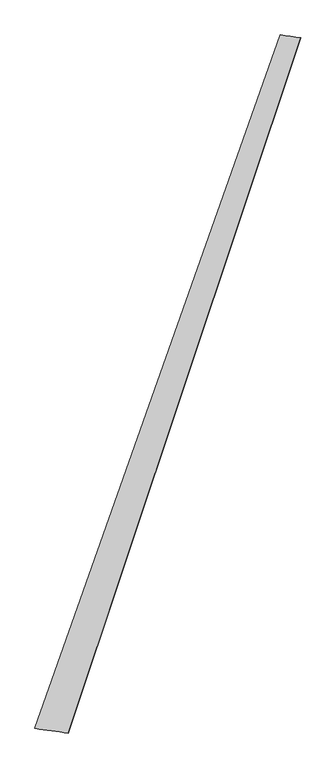
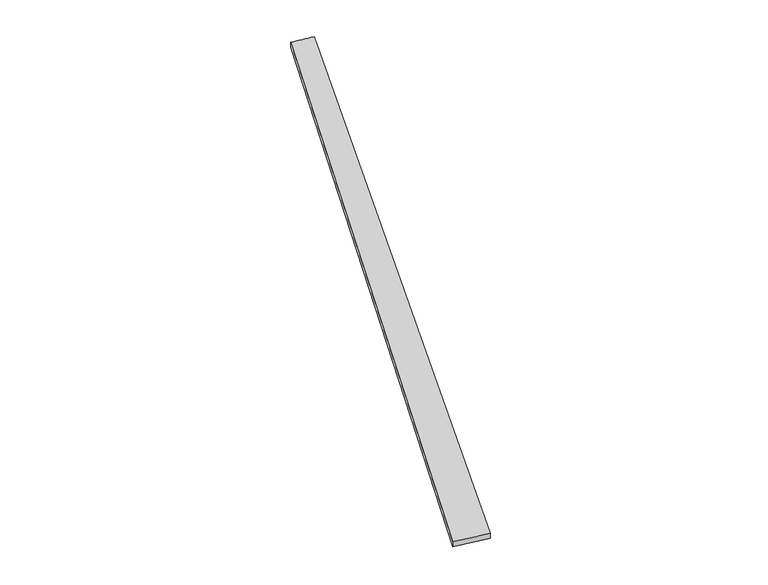
"""IFC4 building model written with IfcOpenShell, lengths in millimetres: proxy geometry."""

import ifcopenshell
import ifcopenshell.guid

model = None  # the IFC model being written
_history = None  # IfcOwnerHistory: only IFC2X3 demands one
_inside = {}  # id of a spatial element -> (the spatial element, [elements in it])
_under = {}  # id of a project, library or spatial element -> (it, [spatial elements below it])
_declared = {}  # id of a project -> (the project, [libraries it declares])
_typed = {}  # id of a type object -> (the type object, [elements of that type])
_made_of = {}  # id of a material, layer set ... -> (it, [elements and type objects made of it])


def new_model(schema):
    """Start an empty IFC model of exactly this schema.

    Asked for "IFC4X3", IfcOpenShell would pick the latest addendum, in which some entities
    have other attributes; the version numbers below select the first issue.
    IFC2X3 requires an IfcOwnerHistory on every rooted entity: one is made here for all.
    """
    global model, _history
    if schema == "IFC4X3":
        model = ifcopenshell.file(schema_version=(4, 3, 0, 0))
    else:
        model = ifcopenshell.file(schema=schema)
    _inside.clear()
    _under.clear()
    _declared.clear()
    _typed.clear()
    _made_of.clear()
    _history = None
    if model.schema == "IFC2X3":
        org = make("IfcOrganization", Name="unknown")
        user = make(
            "IfcPersonAndOrganization",
            ThePerson=make("IfcPerson", FamilyName="unknown"),
            TheOrganization=org,
        )
        app = make(
            "IfcApplication",
            ApplicationDeveloper=org,
            Version="unknown",
            ApplicationFullName="unknown",
            ApplicationIdentifier="unknown",
        )
        _history = make(
            "IfcOwnerHistory",
            OwningUser=user,
            OwningApplication=app,
            ChangeAction="ADDED",
            CreationDate=0,
        )
    return model


def make(cls, **values):
    """One entity of the class cls with the attributes given. An attribute that is None is left unset."""
    return model.create_entity(
        cls, **{name: value for name, value in values.items() if value is not None}
    )


def rooted(cls, **values):
    """An entity with a GlobalId (a new one), such as an element, a storey or a relation."""
    return make(cls, GlobalId=ifcopenshell.guid.new(), OwnerHistory=_history, **values)


def si_unit(unit_type, name, prefix=None):
    """IfcSIUnit, for example si_unit("LENGTHUNIT", "METRE", prefix="MILLI")."""
    return make("IfcSIUnit", UnitType=unit_type, Prefix=prefix, Name=name)


def assignment(units):
    """IfcUnitAssignment: the units of a project."""
    return None if units is None else make("IfcUnitAssignment", Units=units)


def point(xyz):
    """IfcCartesianPoint."""
    return None if xyz is None else make("IfcCartesianPoint", Coordinates=xyz)


def direction(xyz):
    """IfcDirection."""
    return None if xyz is None else make("IfcDirection", DirectionRatios=xyz)


def frame(location, z_axis=None, x_axis=None):
    """IfcAxis2Placement3D, a coordinate frame: its origin and axes. An axis left out is left unset."""
    return make(
        "IfcAxis2Placement3D",
        Location=point(location),
        Axis=direction(z_axis),
        RefDirection=direction(x_axis),
    )


def origin():
    """The frame at (0, 0, 0) with its axes left unset."""
    return frame((0.0, 0.0, 0.0))


def place(relative_to, where):
    """IfcLocalPlacement: puts the frame where relative to a parent placement (None: the world)."""
    return make(
        "IfcLocalPlacement", PlacementRelTo=relative_to, RelativePlacement=where
    )


def context(
    kind, dimensions, precision=None, world=None, true_north=None, identifier=None
):
    """IfcGeometricRepresentationContext, for example the 3D "Model" context."""
    return make(
        "IfcGeometricRepresentationContext",
        ContextIdentifier=identifier,
        ContextType=kind,
        CoordinateSpaceDimension=dimensions,
        Precision=precision,
        WorldCoordinateSystem=world,
        TrueNorth=true_north,
    )


def project(units=None, contexts=None):
    """IfcProject with its units and contexts."""
    return rooted(
        "IfcProject",
        Name="project",
        RepresentationContexts=contexts,
        UnitsInContext=assignment(units),
    )


def spatial(cls, under=None, at=None, **own):
    """A site, building, storey or space (cls), placed at a placement, below another one or the project."""
    s = rooted(cls, ObjectPlacement=at, **own)
    if under is not None:
        _under.setdefault(under.id(), (under, []))[1].append(s)
    return s


def shape(context_of_items, identifier, shape_type, items):
    """IfcShapeRepresentation: the items that make up one representation, for example the "Body"."""
    return make(
        "IfcShapeRepresentation",
        ContextOfItems=context_of_items,
        RepresentationIdentifier=identifier,
        RepresentationType=shape_type,
        Items=items,
    )


def source(mapping_origin, context_of_items, identifier, shape_type, items):
    """IfcRepresentationMap: a shape defined once, which mapped items show again and again."""
    return make(
        "IfcRepresentationMap",
        MappingOrigin=mapping_origin,
        MappedRepresentation=shape(context_of_items, identifier, shape_type, items),
    )


def transform(
    local_origin,
    x_axis=None,
    y_axis=None,
    z_axis=None,
    scale=None,
    scale2=None,
    scale3=None,
    uniform=True,
):
    """IfcCartesianTransformationOperator3D, or its non-uniform kind. x_axis, y_axis, z_axis: its Axis1, 2, 3."""
    if uniform:
        return make(
            "IfcCartesianTransformationOperator3D",
            Axis1=direction(x_axis),
            Axis2=direction(y_axis),
            LocalOrigin=point(local_origin),
            Scale=scale,
            Axis3=direction(z_axis),
        )
    return make(
        "IfcCartesianTransformationOperator3DnonUniform",
        Axis1=direction(x_axis),
        Axis2=direction(y_axis),
        LocalOrigin=point(local_origin),
        Scale=scale,
        Axis3=direction(z_axis),
        Scale2=scale2,
        Scale3=scale3,
    )


def mapped(mapping_source, mapping_target):
    """IfcMappedItem: shows the shape of a source again, moved by a transform."""
    return make(
        "IfcMappedItem", MappingSource=mapping_source, MappingTarget=mapping_target
    )


def made_of(thing, what):
    """Note that an element or type object is made of a material, layer set ...; save() writes the relation."""
    if what is not None:
        _made_of.setdefault(what.id(), (what, []))[1].append(thing)
    return thing


def element(
    cls,
    number,
    at=None,
    inside=None,
    cuts=None,
    type_object=None,
    material=None,
    context=None,
    identifier="Body",
    shape_type=None,
    held_by="IfcProductDefinitionShape",
    body=None,
    shapes=None,
    **own,
):
    """One element of the class cls, such as IfcWall. Its Tag is "e" and its number.

    at: its placement. inside: the storey or other place that contains it. cuts: it is an
    opening in that element (IfcRelVoidsElement). A single representation is given by context,
    identifier, shape_type and body (its items); several are given by shapes. held_by: the class
    of the entity that holds the representations. save() writes the other relations.
    """
    e = rooted(cls, Tag="e%d" % number, ObjectPlacement=at, **own)
    if body is not None:
        shapes = [shape(context, identifier, shape_type, body)]
    if shapes is not None:
        e.Representation = make(held_by, Representations=shapes)
    if inside is not None:
        _inside.setdefault(inside.id(), (inside, []))[1].append(e)
    if cuts is not None:
        rooted(
            "IfcRelVoidsElement", RelatingBuildingElement=cuts, RelatedOpeningElement=e
        )
    if type_object is not None:
        _typed.setdefault(type_object.id(), (type_object, []))[1].append(e)
    return made_of(e, material)


def aggregate(whole, parts):
    """IfcRelAggregates: a whole, such as a stair, and the parts it consists of."""
    return rooted("IfcRelAggregates", RelatingObject=whole, RelatedObjects=parts)


def save(model, path):
    """Write the relations noted so far, then the file.

    IfcRelAggregates (storeys below a building ...), IfcRelContainedInSpatialStructure (elements
    in a storey), IfcRelDefinesByType, IfcRelAssociatesMaterial and IfcRelDeclares: one each for
    every whole, place, type object, material and project.
    """
    for whole, parts in _under.values():
        aggregate(whole, parts)
    for where, things in _inside.values():
        rooted(
            "IfcRelContainedInSpatialStructure",
            RelatedElements=things,
            RelatingStructure=where,
        )
    for kind, things in _typed.values():
        rooted("IfcRelDefinesByType", RelatedObjects=things, RelatingType=kind)
    for what, things in _made_of.values():
        rooted("IfcRelAssociatesMaterial", RelatedObjects=things, RelatingMaterial=what)
    for by, libraries in _declared.values():
        rooted("IfcRelDeclares", RelatingContext=by, RelatedDefinitions=libraries)
    model.write(path)


def spline_surface(u_degree, v_degree, points, u_multiplicities, v_multiplicities, u_knots, v_knots, weights=None):
    """IfcBSplineSurfaceWithKnots; with weights, IfcRationalBSplineSurfaceWithKnots. points: one row for each step in u."""
    own = dict(
        UDegree=u_degree,
        VDegree=v_degree,
        ControlPointsList=[[point(p) for p in row] for row in points],
        SurfaceForm="UNSPECIFIED",
        UClosed=False,
        VClosed=False,
        SelfIntersect=False,
        UMultiplicities=u_multiplicities,
        VMultiplicities=v_multiplicities,
        UKnots=u_knots,
        VKnots=v_knots,
        KnotSpec="UNSPECIFIED",
    )
    if weights is None:
        return make("IfcBSplineSurfaceWithKnots", **own)
    return make("IfcRationalBSplineSurfaceWithKnots", WeightsData=weights, **own)


def advanced_brep(points, edges, surfaces, faces):
    """IfcAdvancedBrep: a solid bounded by faces that lie on surfaces and meet in shared edges.

    An edge is (start, end): straight between two places in points (the first is 0);
    or (start, end, curve); or (start, end, curve, False) where it runs against its curve.
    A face is (place in surfaces, loops), or (place, loops, False) where it looks against
    its surface's normal. A loop lists edges by number (the first is 1), with a minus sign
    where the edge is run from its end to its start. The first loop is the outer one.
    """
    corners = [point(p) for p in points]
    vertices = [make("IfcVertexPoint", VertexGeometry=c) for c in corners]
    made = []
    for start, end, *more in edges:
        made.append(
            make(
                "IfcEdgeCurve",
                EdgeStart=vertices[start],
                EdgeEnd=vertices[end],
                EdgeGeometry=more[0] if more else make("IfcPolyline", Points=[corners[start], corners[end]]),
                SameSense=more[1] if len(more) > 1 else True,
            )
        )
    hull = []
    for where, loops, *sense in faces:
        bounds = []
        for j, loop in enumerate(loops):
            ring = [make("IfcOrientedEdge", EdgeElement=made[abs(k) - 1], Orientation=k > 0) for k in loop]
            bounds.append(
                make(
                    "IfcFaceOuterBound" if j == 0 else "IfcFaceBound",
                    Bound=make("IfcEdgeLoop", EdgeList=ring),
                    Orientation=True,
                )
            )
        hull.append(make("IfcAdvancedFace", Bounds=bounds, FaceSurface=surfaces[where], SameSense=sense[0] if sense else True))
    return make("IfcAdvancedBrep", Outer=make("IfcClosedShell", CfsFaces=hull))


def generic_models_3b7107e6(model_context):
    return source(origin(), model_context, "Body", "AdvancedBrep", [
        advanced_brep(
        [(-728.7107267, -1846.0671743, 0.4311218), (-728.7180119, -1846.0564229, 30.431119), (718.3097891, 2248.5116272, 29.3151062), (718.3231264, 2248.498737, -0.6848881), (-531.4416026, -1873.2888674, 29.5673485), (841.5185256, 2230.9449883, 30.678714), (-531.7156602, -1873.1889657, -0.4312334), (842.1032605, 2230.757403, 0.6849997)],
        [
            (0, 1),
            (1, 2),
            (2, 3),
            (3, 0),
            (1, 4),
            (4, 5),
            (5, 2),
            (4, 6),
            (6, 7),
            (7, 5),
            (6, 0),
            (3, 7),
        ],
        [
            spline_surface(1, 1, [[(-728.7107267, -1846.0671743, 0.4311218), (718.3231264, 2248.498737, -0.6848881)], [(-728.7180119, -1846.0564229, 30.431119), (718.3097891, 2248.5116272, 29.3151062)]], [2, 2], [2, 2], [0.0, 1.0], [0.0, 1.0]),
            spline_surface(1, 1, [[(-728.7180119, -1846.0564229, 30.431119), (718.3097891, 2248.5116272, 29.3151062)], [(-531.4416026, -1873.2888674, 29.5673485), (841.5185256, 2230.9449883, 30.678714)]], [2, 2], [2, 2], [0.0, 1.0], [0.0, 1.0]),
            spline_surface(1, 1, [[(-531.4416026, -1873.2888674, 29.5673485), (841.5185256, 2230.9449883, 30.678714)], [(-531.7156602, -1873.1889657, -0.4312334), (842.1032605, 2230.757403, 0.6849997)]], [2, 2], [2, 2], [0.0, 1.0], [0.0, 1.0]),
            spline_surface(1, 1, [[(-531.7156602, -1873.1889657, -0.4312334), (842.1032605, 2230.757403, 0.6849997)], [(-728.7107267, -1846.0671743, 0.4311218), (718.3231264, 2248.498737, -0.6848881)]], [2, 2], [2, 2], [0.0, 1.0], [0.0, 1.0]),
            spline_surface(1, 1, [[(718.3097891, 2248.5116272, 29.3151062), (718.3231264, 2248.498737, -0.6848881)], [(841.5185256, 2230.9449883, 30.678714), (842.1032605, 2230.757403, 0.6849997)]], [2, 2], [2, 2], [0.0, 1.0], [0.0, 1.0]),
            spline_surface(1, 1, [[(-531.7156602, -1873.1889657, -0.4312334), (-728.7107267, -1846.0671743, 0.4311218)], [(-531.4416026, -1873.2888674, 29.5673485), (-728.7180119, -1846.0564229, 30.431119)]], [2, 2], [2, 2], [0.0, 1.0], [0.0, 1.0]),
        ],
        [
            (0, [[1, 2, 3, 4]]),
            (1, [[5, 6, 7, -2]]),
            (2, [[8, 9, 10, -6]]),
            (3, [[11, -4, 12, -9]]),
            (4, [[-3, -7, -10, -12]]),
            (5, [[-11, -8, -5, -1]]),
        ],
    ),
    ])


if __name__ == "__main__":
    model = new_model("IFC4")
    model_context = context("Model", 3, world=origin())
    ifc_project = project(units=[si_unit("LENGTHUNIT", "METRE", prefix="MILLI")], contexts=[model_context])
    site = spatial("IfcSite", under=ifc_project)
    building = spatial("IfcBuilding", under=site)
    placement = place(None, origin())
    generic_models_shape = generic_models_3b7107e6(model_context)
    element("IfcBuildingElementProxy", 1, Name="Generic Models", at=placement, inside=building, context=model_context, shape_type="MappedRepresentation", body=[
        mapped(generic_models_shape, transform((0.0, 0.0, 0.0), x_axis=(1.0, 0.0, 0.0), y_axis=(0.0, 1.0, 0.0), z_axis=(0.0, 0.0, 1.0))),
    ])
    save(model, "model.ifc")
